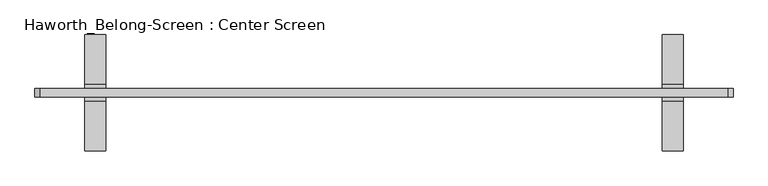
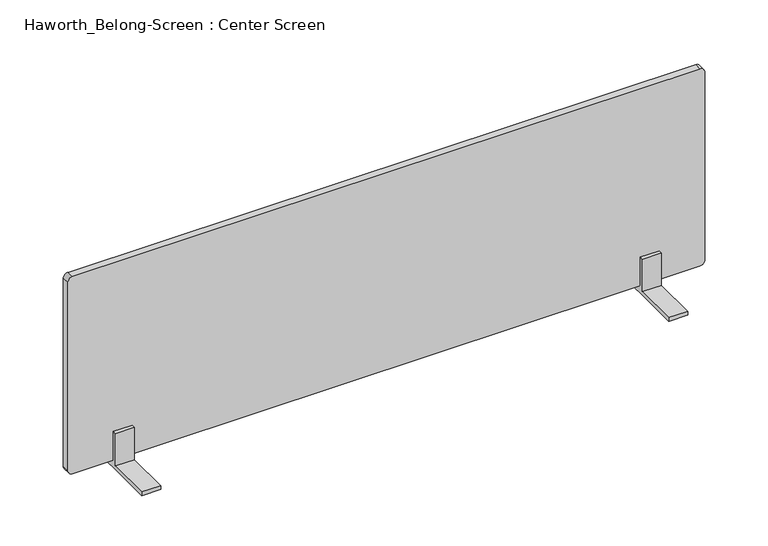
"""IFC4 building model written with IfcOpenShell, lengths in millimetres: furniture geometry, Haworth_Belong-Screen : Center Screen."""

from ifc_helpers import new_model, si_unit, point, frame, frame_2d, origin, place, context, project, spatial, polyline, circle_curve, trimmed, segment, composite_curve, outline, extrude, source, transform, mapped, element, save


def haworth_belong_screen_center_screen_b0061fb4(model_context):
    return source(origin(), model_context, "Body", "SweptSolid", [
        extrude(outline(polyline([(-12.7, 706.4375), (-12.7, 763.5875), (-6.35, 763.5875), (-6.35, 712.7875), (6.35, 712.7875), (6.35, 763.5875), (12.7, 763.5875), (12.7, 706.4375), (88.9, 706.4375), (88.9, 700.0875), (-88.9, 700.0875), (-88.9, 706.4375), (-12.7, 706.4375)])), frame((-489.8645436, 0.0, 0.0), z_axis=(1.0, 0.0, 0.0), x_axis=(0.0, 1.0, 0.0)), (0.0, 0.0, 1.0), 31.75),
        extrude(outline(polyline([(-12.7, 706.4375), (-12.7, 763.5875), (-6.35, 763.5875), (-6.35, 712.7875), (6.35, 712.7875), (6.35, 763.5875), (12.7, 763.5875), (12.7, 706.4375), (88.9, 706.4375), (88.9, 700.0875), (-88.9, 700.0875), (-88.9, 706.4375), (-12.7, 706.4375)])), frame((392.7854564, 0.0, 0.0), z_axis=(1.0, 0.0, 0.0), x_axis=(0.0, 1.0, 0.0)), (0.0, 0.0, 1.0), 31.75),
        extrude(outline(composite_curve([segment(polyline([(1062.0375, 492.7979564), (1062.0375, -558.1270436)]), True, "CONTINUOUS"), segment(trimmed(circle_curve(frame_2d((1054.1, -558.1270436)), 7.9375), [point((1062.0375, -558.1270436))], [point((1054.1, -566.0645436))], False, "CARTESIAN"), True, "CONTINUOUS"), segment(polyline([(1054.1, -566.0645436), (720.725, -566.0645436)]), True, "CONTINUOUS"), segment(trimmed(circle_curve(frame_2d((720.725, -558.1270436)), 7.9375), [point((720.725, -566.0645436))], [point((712.7875, -558.1270436))], False, "CARTESIAN"), True, "CONTINUOUS"), segment(polyline([(712.7875, -558.1270436), (712.7875, 492.7979564)]), True, "CONTINUOUS"), segment(trimmed(circle_curve(frame_2d((720.725, 492.7979564)), 7.9375), [point((712.7875, 492.7979564))], [point((720.725, 500.7354564))], False, "CARTESIAN"), True, "CONTINUOUS"), segment(polyline([(720.725, 500.7354564), (1054.1, 500.7354564)]), True, "CONTINUOUS"), segment(trimmed(circle_curve(frame_2d((1054.1, 492.7979564)), 7.9375), [point((1054.1, 500.7354564))], [point((1062.0375, 492.7979564))], False, "CARTESIAN"), True, "CONTINUOUS")], self_intersect=False)), frame((0.0, -6.35, 0.0), z_axis=(0.0, 1.0, 0.0), x_axis=(0.0, 0.0, 1.0)), (0.0, 0.0, 1.0), 12.7),
    ])


if __name__ == "__main__":
    model = new_model("IFC4")
    model_context = context("Model", 3, world=origin())
    ifc_project = project(units=[si_unit("LENGTHUNIT", "METRE", prefix="MILLI")], contexts=[model_context])
    site = spatial("IfcSite", under=ifc_project)
    building = spatial("IfcBuilding", under=site)
    placement = place(None, origin())
    haworth_belong_screen_center_screen_shape = haworth_belong_screen_center_screen_b0061fb4(model_context)
    element("IfcFurniture", 1, ObjectType="Haworth_Belong-Screen : Center Screen", at=placement, inside=building, context=model_context, shape_type="MappedRepresentation", body=[
        mapped(haworth_belong_screen_center_screen_shape, transform((0.0, 0.0, 0.0), x_axis=(1.0, 0.0, 0.0), y_axis=(0.0, 1.0, 0.0), z_axis=(0.0, 0.0, 1.0))),
    ])
    save(model, "model.ifc")
